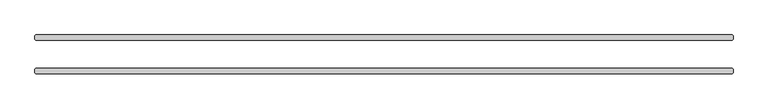
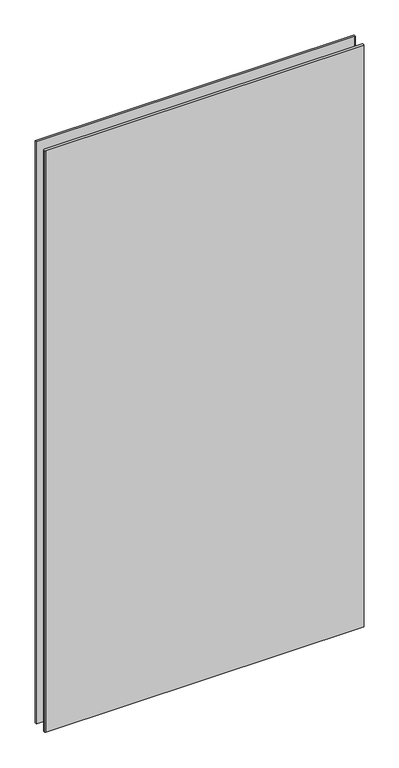
"""IFC4 building model written with IfcOpenShell, lengths in millimetres: plate geometry."""

import ifcopenshell
import ifcopenshell.guid

model = None  # the IFC model being written
_history = None  # IfcOwnerHistory: only IFC2X3 demands one
_inside = {}  # id of a spatial element -> (the spatial element, [elements in it])
_under = {}  # id of a project, library or spatial element -> (it, [spatial elements below it])
_declared = {}  # id of a project -> (the project, [libraries it declares])
_typed = {}  # id of a type object -> (the type object, [elements of that type])
_made_of = {}  # id of a material, layer set ... -> (it, [elements and type objects made of it])


def new_model(schema):
    """Start an empty IFC model of exactly this schema.

    Asked for "IFC4X3", IfcOpenShell would pick the latest addendum, in which some entities
    have other attributes; the version numbers below select the first issue.
    IFC2X3 requires an IfcOwnerHistory on every rooted entity: one is made here for all.
    """
    global model, _history
    if schema == "IFC4X3":
        model = ifcopenshell.file(schema_version=(4, 3, 0, 0))
    else:
        model = ifcopenshell.file(schema=schema)
    _inside.clear()
    _under.clear()
    _declared.clear()
    _typed.clear()
    _made_of.clear()
    _history = None
    if model.schema == "IFC2X3":
        org = make("IfcOrganization", Name="unknown")
        user = make(
            "IfcPersonAndOrganization",
            ThePerson=make("IfcPerson", FamilyName="unknown"),
            TheOrganization=org,
        )
        app = make(
            "IfcApplication",
            ApplicationDeveloper=org,
            Version="unknown",
            ApplicationFullName="unknown",
            ApplicationIdentifier="unknown",
        )
        _history = make(
            "IfcOwnerHistory",
            OwningUser=user,
            OwningApplication=app,
            ChangeAction="ADDED",
            CreationDate=0,
        )
    return model


def make(cls, **values):
    """One entity of the class cls with the attributes given. An attribute that is None is left unset."""
    return model.create_entity(
        cls, **{name: value for name, value in values.items() if value is not None}
    )


def rooted(cls, **values):
    """An entity with a GlobalId (a new one), such as an element, a storey or a relation."""
    return make(cls, GlobalId=ifcopenshell.guid.new(), OwnerHistory=_history, **values)


def si_unit(unit_type, name, prefix=None):
    """IfcSIUnit, for example si_unit("LENGTHUNIT", "METRE", prefix="MILLI")."""
    return make("IfcSIUnit", UnitType=unit_type, Prefix=prefix, Name=name)


def assignment(units):
    """IfcUnitAssignment: the units of a project."""
    return None if units is None else make("IfcUnitAssignment", Units=units)


def point(xyz):
    """IfcCartesianPoint."""
    return None if xyz is None else make("IfcCartesianPoint", Coordinates=xyz)


def direction(xyz):
    """IfcDirection."""
    return None if xyz is None else make("IfcDirection", DirectionRatios=xyz)


def frame(location, z_axis=None, x_axis=None):
    """IfcAxis2Placement3D, a coordinate frame: its origin and axes. An axis left out is left unset."""
    return make(
        "IfcAxis2Placement3D",
        Location=point(location),
        Axis=direction(z_axis),
        RefDirection=direction(x_axis),
    )


def origin():
    """The frame at (0, 0, 0) with its axes left unset."""
    return frame((0.0, 0.0, 0.0))


def origin_with_axes():
    """The frame at (0, 0, 0) with the z axis (0, 0, 1) and the x axis (1, 0, 0) written out."""
    return frame((0.0, 0.0, 0.0), z_axis=(0.0, 0.0, 1.0), x_axis=(1.0, 0.0, 0.0))


def place(relative_to, where):
    """IfcLocalPlacement: puts the frame where relative to a parent placement (None: the world)."""
    return make(
        "IfcLocalPlacement", PlacementRelTo=relative_to, RelativePlacement=where
    )


def context(
    kind, dimensions, precision=None, world=None, true_north=None, identifier=None
):
    """IfcGeometricRepresentationContext, for example the 3D "Model" context."""
    return make(
        "IfcGeometricRepresentationContext",
        ContextIdentifier=identifier,
        ContextType=kind,
        CoordinateSpaceDimension=dimensions,
        Precision=precision,
        WorldCoordinateSystem=world,
        TrueNorth=true_north,
    )


def project(units=None, contexts=None):
    """IfcProject with its units and contexts."""
    return rooted(
        "IfcProject",
        Name="project",
        RepresentationContexts=contexts,
        UnitsInContext=assignment(units),
    )


def spatial(cls, under=None, at=None, **own):
    """A site, building, storey or space (cls), placed at a placement, below another one or the project."""
    s = rooted(cls, ObjectPlacement=at, **own)
    if under is not None:
        _under.setdefault(under.id(), (under, []))[1].append(s)
    return s


def polyline(points):
    """IfcPolyline through the points."""
    return make("IfcPolyline", Points=[point(p) for p in points])


def outline(outer, holes=None, kind="AREA"):
    """IfcArbitraryClosedProfileDef: a profile drawn as a closed curve; with holes, ...WithVoids."""
    if holes is None:
        return make("IfcArbitraryClosedProfileDef", ProfileType=kind, OuterCurve=outer)
    return make(
        "IfcArbitraryProfileDefWithVoids",
        ProfileType=kind,
        OuterCurve=outer,
        InnerCurves=holes,
    )


def extrude(swept, where, along, depth):
    """IfcExtrudedAreaSolid: the profile swept, set in the frame where, extruded along a direction by depth."""
    return make(
        "IfcExtrudedAreaSolid",
        SweptArea=swept,
        Position=where,
        ExtrudedDirection=direction(along),
        Depth=depth,
    )


def shape(context_of_items, identifier, shape_type, items):
    """IfcShapeRepresentation: the items that make up one representation, for example the "Body"."""
    return make(
        "IfcShapeRepresentation",
        ContextOfItems=context_of_items,
        RepresentationIdentifier=identifier,
        RepresentationType=shape_type,
        Items=items,
    )


def source(mapping_origin, context_of_items, identifier, shape_type, items):
    """IfcRepresentationMap: a shape defined once, which mapped items show again and again."""
    return make(
        "IfcRepresentationMap",
        MappingOrigin=mapping_origin,
        MappedRepresentation=shape(context_of_items, identifier, shape_type, items),
    )


def transform(
    local_origin,
    x_axis=None,
    y_axis=None,
    z_axis=None,
    scale=None,
    scale2=None,
    scale3=None,
    uniform=True,
):
    """IfcCartesianTransformationOperator3D, or its non-uniform kind. x_axis, y_axis, z_axis: its Axis1, 2, 3."""
    if uniform:
        return make(
            "IfcCartesianTransformationOperator3D",
            Axis1=direction(x_axis),
            Axis2=direction(y_axis),
            LocalOrigin=point(local_origin),
            Scale=scale,
            Axis3=direction(z_axis),
        )
    return make(
        "IfcCartesianTransformationOperator3DnonUniform",
        Axis1=direction(x_axis),
        Axis2=direction(y_axis),
        LocalOrigin=point(local_origin),
        Scale=scale,
        Axis3=direction(z_axis),
        Scale2=scale2,
        Scale3=scale3,
    )


def mapped(mapping_source, mapping_target):
    """IfcMappedItem: shows the shape of a source again, moved by a transform."""
    return make(
        "IfcMappedItem", MappingSource=mapping_source, MappingTarget=mapping_target
    )


def made_of(thing, what):
    """Note that an element or type object is made of a material, layer set ...; save() writes the relation."""
    if what is not None:
        _made_of.setdefault(what.id(), (what, []))[1].append(thing)
    return thing


def element(
    cls,
    number,
    at=None,
    inside=None,
    cuts=None,
    type_object=None,
    material=None,
    context=None,
    identifier="Body",
    shape_type=None,
    held_by="IfcProductDefinitionShape",
    body=None,
    shapes=None,
    **own,
):
    """One element of the class cls, such as IfcWall. Its Tag is "e" and its number.

    at: its placement. inside: the storey or other place that contains it. cuts: it is an
    opening in that element (IfcRelVoidsElement). A single representation is given by context,
    identifier, shape_type and body (its items); several are given by shapes. held_by: the class
    of the entity that holds the representations. save() writes the other relations.
    """
    e = rooted(cls, Tag="e%d" % number, ObjectPlacement=at, **own)
    if body is not None:
        shapes = [shape(context, identifier, shape_type, body)]
    if shapes is not None:
        e.Representation = make(held_by, Representations=shapes)
    if inside is not None:
        _inside.setdefault(inside.id(), (inside, []))[1].append(e)
    if cuts is not None:
        rooted(
            "IfcRelVoidsElement", RelatingBuildingElement=cuts, RelatedOpeningElement=e
        )
    if type_object is not None:
        _typed.setdefault(type_object.id(), (type_object, []))[1].append(e)
    return made_of(e, material)


def aggregate(whole, parts):
    """IfcRelAggregates: a whole, such as a stair, and the parts it consists of."""
    return rooted("IfcRelAggregates", RelatingObject=whole, RelatedObjects=parts)


def save(model, path):
    """Write the relations noted so far, then the file.

    IfcRelAggregates (storeys below a building ...), IfcRelContainedInSpatialStructure (elements
    in a storey), IfcRelDefinesByType, IfcRelAssociatesMaterial and IfcRelDeclares: one each for
    every whole, place, type object, material and project.
    """
    for whole, parts in _under.values():
        aggregate(whole, parts)
    for where, things in _inside.values():
        rooted(
            "IfcRelContainedInSpatialStructure",
            RelatedElements=things,
            RelatingStructure=where,
        )
    for kind, things in _typed.values():
        rooted("IfcRelDefinesByType", RelatedObjects=things, RelatingType=kind)
    for what, things in _made_of.values():
        rooted("IfcRelAssociatesMaterial", RelatedObjects=things, RelatingMaterial=what)
    for by, libraries in _declared.values():
        rooted("IfcRelDeclares", RelatingContext=by, RelatedDefinitions=libraries)
    model.write(path)


def plate_ea632cb8(model_context):
    return source(origin(), model_context, "Body", "SweptSolid", [
        extrude(outline(polyline([(628.65, 25.4), (-628.65, 25.4), (-630.2375, 26.9875), (-630.2375, 33.3375), (-628.65, 34.925), (628.65, 34.925), (630.2375, 33.3375), (630.2375, 26.9875), (628.65, 25.4)])), origin_with_axes(), (0.0, 0.0, 1.0), 2428.7789267),
        extrude(outline(polyline([(628.65, -34.925), (-628.65, -34.925), (-630.2375, -33.3375), (-630.2375, -26.9875), (-628.65, -25.4), (628.65, -25.4), (630.2375, -26.9875), (630.2375, -33.3375), (628.65, -34.925)])), origin_with_axes(), (0.0, 0.0, 1.0), 2428.7789267),
    ])


if __name__ == "__main__":
    model = new_model("IFC4")
    model_context = context("Model", 3, world=origin())
    ifc_project = project(units=[si_unit("LENGTHUNIT", "METRE", prefix="MILLI")], contexts=[model_context])
    site = spatial("IfcSite", under=ifc_project)
    building = spatial("IfcBuilding", under=site)
    placement = place(None, origin())
    plate_shape = plate_ea632cb8(model_context)
    element("IfcPlate", 1, at=placement, inside=building, context=model_context, shape_type="MappedRepresentation", body=[
        mapped(plate_shape, transform((0.0, 0.0, 0.0), x_axis=(1.0, 0.0, 0.0), y_axis=(0.0, 1.0, 0.0), z_axis=(0.0, 0.0, 1.0))),
    ])
    save(model, "model.ifc")
